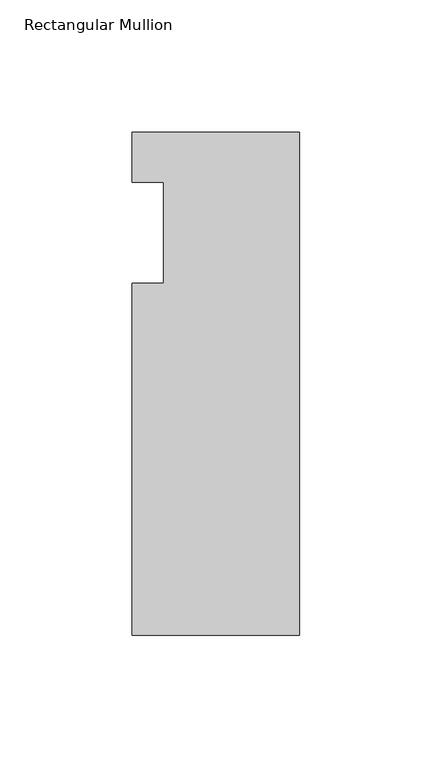
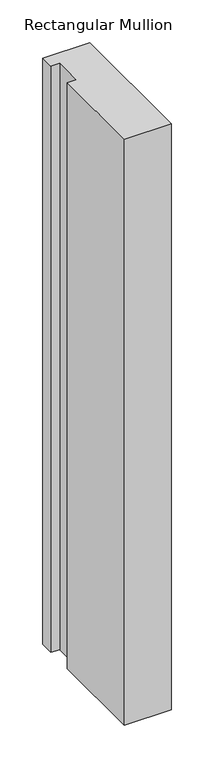
"""IFC4 building model written with IfcOpenShell, lengths in millimetres: member geometry, Rectangular Mullion."""

from ifc_helpers import new_model, si_unit, frame, origin, place, context, project, spatial, polyline, outline, extrude, source, transform, mapped, element, save


def rectangular_mullion_c8fe67e5(model_context):
    return source(origin(), model_context, "Body", "SweptSolid", [
        extrude(outline(polyline([(-63.5, -152.4), (-63.5, -19.0495158), (-51.5874, -19.0495158), (-51.5874, 19.0504842), (-63.5, 19.0504842), (-63.5, 38.1), (0.0, 38.1), (0.0, -152.4), (-63.5, -152.4)])), frame((0.0, 0.0, -836.6213402), z_axis=(0.0, 0.0, 1.0), x_axis=(1.0, 0.0, 0.0)), (0.0, 0.0, 1.0), 836.6213402),
    ])


if __name__ == "__main__":
    model = new_model("IFC4")
    model_context = context("Model", 3, world=origin())
    ifc_project = project(units=[si_unit("LENGTHUNIT", "METRE", prefix="MILLI")], contexts=[model_context])
    site = spatial("IfcSite", under=ifc_project)
    building = spatial("IfcBuilding", under=site)
    placement = place(None, origin())
    rectangular_mullion_shape = rectangular_mullion_c8fe67e5(model_context)
    element("IfcMember", 1, ObjectType="Rectangular Mullion", at=placement, inside=building, context=model_context, shape_type="MappedRepresentation", body=[
        mapped(rectangular_mullion_shape, transform((0.0, 0.0, 0.0), x_axis=(1.0, 0.0, 0.0), y_axis=(0.0, 1.0, 0.0), z_axis=(0.0, 0.0, 1.0))),
    ])
    save(model, "model.ifc")
